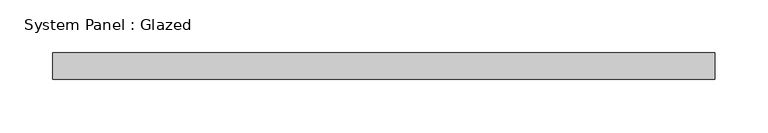
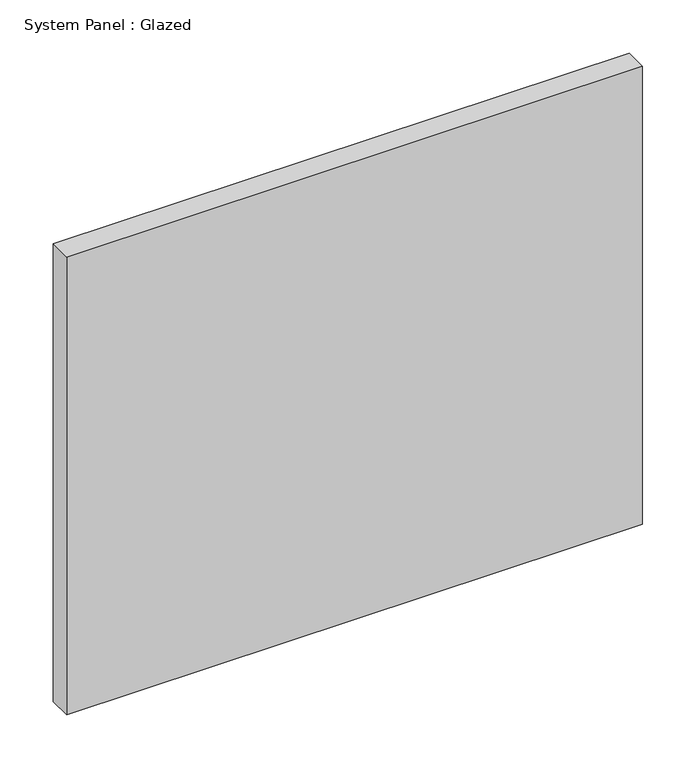
"""IFC4 building model written with IfcOpenShell, lengths in millimetres: plate geometry, System Panel : Glazed."""

from ifc_helpers import new_model, si_unit, origin, origin_with_axes, place, context, project, spatial, polyline, outline, extrude, source, transform, mapped, element, save


def system_panel_glazed_8127636f(model_context):
    return source(origin(), model_context, "Body", "SweptSolid", [
        extrude(outline(polyline([(312.4998148, -49.5), (-312.4998148, -49.5), (-312.4998148, -24.5), (312.4998148, -24.5), (312.4998148, -49.5)])), origin_with_axes(), (0.0, 0.0, 1.0), 525.0),
    ])


if __name__ == "__main__":
    model = new_model("IFC4")
    model_context = context("Model", 3, world=origin())
    ifc_project = project(units=[si_unit("LENGTHUNIT", "METRE", prefix="MILLI")], contexts=[model_context])
    site = spatial("IfcSite", under=ifc_project)
    building = spatial("IfcBuilding", under=site)
    placement = place(None, origin())
    system_panel_glazed_shape = system_panel_glazed_8127636f(model_context)
    element("IfcPlate", 1, ObjectType="System Panel : Glazed", at=placement, inside=building, context=model_context, shape_type="MappedRepresentation", body=[
        mapped(system_panel_glazed_shape, transform((0.0, 0.0, 0.0), x_axis=(1.0, 0.0, 0.0), y_axis=(0.0, 1.0, 0.0), z_axis=(0.0, 0.0, 1.0))),
    ])
    save(model, "model.ifc")
